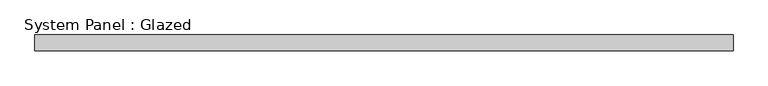
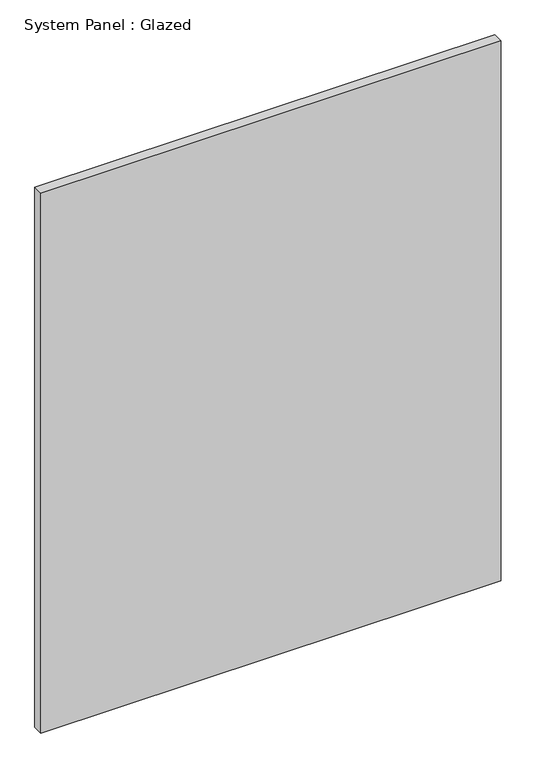
"""IFC4 building model written with IfcOpenShell, lengths in millimetres: plate geometry, System Panel : Glazed."""

from ifc_helpers import new_model, si_unit, origin, origin_with_axes, place, context, project, spatial, polyline, outline, extrude, source, transform, mapped, element, save


def system_panel_glazed_20529beb(model_context):
    return source(origin(), model_context, "Body", "SweptSolid", [
        extrude(outline(polyline([(561.975, 19.05), (-561.975, 19.05), (-561.975, 44.45), (561.975, 44.45), (561.975, 19.05)])), origin_with_axes(), (0.0, 0.0, 1.0), 1393.2838622),
    ])


if __name__ == "__main__":
    model = new_model("IFC4")
    model_context = context("Model", 3, world=origin())
    ifc_project = project(units=[si_unit("LENGTHUNIT", "METRE", prefix="MILLI")], contexts=[model_context])
    site = spatial("IfcSite", under=ifc_project)
    building = spatial("IfcBuilding", under=site)
    placement = place(None, origin())
    system_panel_glazed_shape = system_panel_glazed_20529beb(model_context)
    element("IfcPlate", 1, ObjectType="System Panel : Glazed", at=placement, inside=building, context=model_context, shape_type="MappedRepresentation", body=[
        mapped(system_panel_glazed_shape, transform((0.0, 0.0, 0.0), x_axis=(1.0, 0.0, 0.0), y_axis=(0.0, 1.0, 0.0), z_axis=(0.0, 0.0, 1.0))),
    ])
    save(model, "model.ifc")
